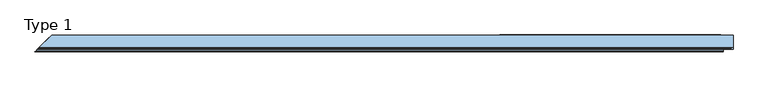
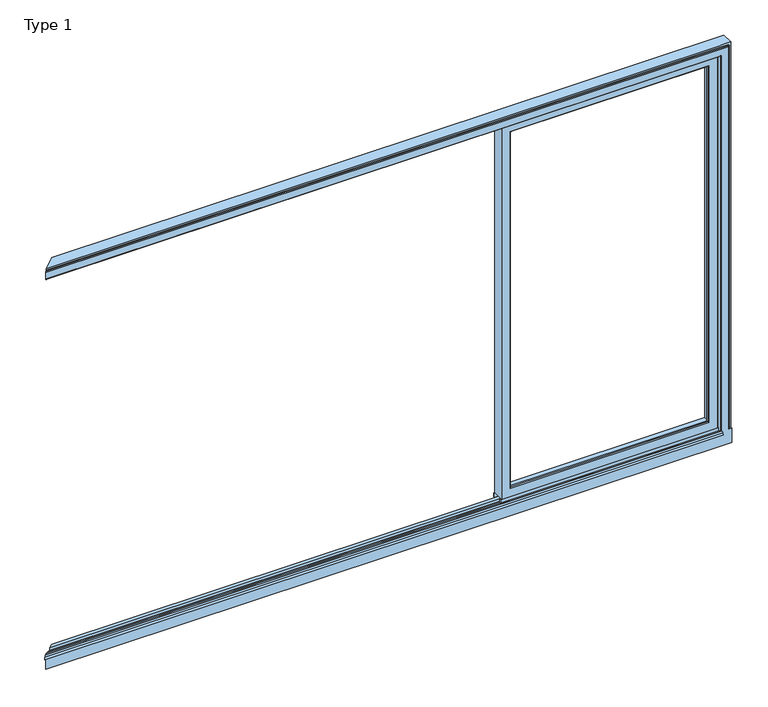
"""IFC4 building model written with IfcOpenShell, lengths in millimetres: window geometry, Type 1."""

from ifc_helpers import new_model, si_unit, point, frame, frame_2d, origin, place, context, project, spatial, polyline, circle_curve, ellipse_curve, trimmed, segment, composite_curve, outline, extrude, source, transform, mapped, element, save
from ifc_brep_helpers import plane_surface, cylinder_surface, advanced_brep


def type_1_d4f6e917(model_context):
    return source(origin(), model_context, "Body", "SolidModel", [
        advanced_brep(
        [(1912.8, 70.0, 2337.0), (1912.8, 0.0, 2337.0), (1912.8, 0.0, 36.0), (1912.8, 70.0, 36.0), (654.4, 0.0, 36.0), (654.4, 70.0, 36.0), (654.4, 0.0, 2337.0), (703.8991901, 0.0, 85.4991901), (703.8991901, 0.0, 2287.5008099), (1863.3008099, 0.0, 2287.5008099), (1863.3008099, 0.0, 85.4991901), (654.4, 70.0, 2337.0), (1880.8, 70.0, 68.0), (1880.8, 70.0, 2305.0), (686.4, 70.0, 2305.0), (686.4, 70.0, 68.0), (1880.8, 13.999939, 2305.0), (1880.8, 13.999939, 68.0), (686.4, 13.999939, 68.0), (686.4, 13.999939, 2305.0), (1858.8004272, 13.999939, 89.9995728), (1858.8004272, 13.999939, 2283.0004272), (708.3995728, 13.999939, 2283.0004272), (708.3995728, 13.999939, 89.9995728), (1858.8004272, 4.5004435, 2283.0004272), (1858.8004272, 4.5004435, 89.9995728), (708.3995728, 4.5004435, 89.9995728), (708.3995728, 4.5004435, 2283.0004272)],
        [
            (0, 1),
            (1, 2),
            (2, 3),
            (3, 0),
            (2, 4),
            (4, 5),
            (5, 3),
            (1, 6),
            (6, 4),
            (7, 8),
            (8, 9),
            (9, 10),
            (10, 7),
            (6, 11),
            (11, 5),
            (11, 0),
            (12, 13),
            (13, 14),
            (14, 15),
            (15, 12),
            (16, 13),
            (12, 17),
            (17, 16),
            (15, 18),
            (18, 17),
            (14, 19),
            (19, 18),
            (19, 16),
            (20, 21),
            (21, 22),
            (22, 23),
            (23, 20),
            (24, 21),
            (20, 25),
            (25, 24),
            (23, 26),
            (26, 25),
            (22, 27),
            (27, 26),
            (10, 25, ellipse_curve(frame((1863.3008099, 4.5004435, 85.4991901), z_axis=(-0.7071067811865475, 0.0, -0.7071067811865475), x_axis=(0.7071067811865476, 0.0, -0.7071067811865474)), 6.3645023, 4.5003827)),
            (26, 7, ellipse_curve(frame((703.8991901, 4.5004435, 85.4991901), z_axis=(0.7071067811865475, 0.0, -0.7071067811865475), x_axis=(0.7071067811865476, 0.0, 0.7071067811865474)), 6.3645023, 4.5003827)),
            (9, 24, ellipse_curve(frame((1863.3008099, 4.5004435, 2287.5008099), z_axis=(0.7071067811865475, 0.0, -0.7071067811865475), x_axis=(0.7071067811865474, 0.0, 0.7071067811865476)), 6.3645023, 4.5003827)),
            (27, 8, ellipse_curve(frame((703.8991901, 4.5004435, 2287.5008099), z_axis=(-0.7071067811865475, 0.0, -0.7071067811865475), x_axis=(0.7071067811865474, 0.0, -0.7071067811865476)), 6.3645023, 4.5003827)),
            (24, 27),
        ],
        [
            plane_surface(frame((1912.8, 0.0, 2337.0), z_axis=(1.0, 0.0, 0.0), x_axis=(0.0, 0.0, -1.0))),
            plane_surface(frame((1912.8, 0.0, 36.0), z_axis=(0.0, 0.0, -1.0), x_axis=(-1.0, 0.0, 0.0))),
            plane_surface(frame((1863.3008099, 0.0, 2287.5008099), z_axis=(0.0, -1.0, 0.0), x_axis=(0.0, 0.0, -1.0))),
            plane_surface(frame((654.4, 0.0, 36.0), z_axis=(-1.0, 0.0, 0.0), x_axis=(0.0, 0.0, 1.0))),
            plane_surface(frame((1912.8, 70.0, 2337.0), z_axis=(0.0, 1.0, 0.0), x_axis=(0.0, 0.0, -1.0))),
            plane_surface(frame((1880.8, 70.0, 2305.0), z_axis=(-1.0, 0.0, 0.0), x_axis=(0.0, 0.0, -1.0))),
            plane_surface(frame((1880.8, 70.0, 68.0), z_axis=(0.0, 0.0, 1.0), x_axis=(-1.0, 0.0, 0.0))),
            plane_surface(frame((686.4, 70.0, 68.0), z_axis=(1.0, 0.0, 0.0), x_axis=(0.0, 0.0, 1.0))),
            plane_surface(frame((1880.8, 13.999939, 2305.0), z_axis=(0.0, 1.0, 0.0), x_axis=(0.0, 0.0, -1.0))),
            plane_surface(frame((1858.8004272, 13.999939, 2283.0004272), z_axis=(-1.0, 0.0, 0.0), x_axis=(0.0, 0.0, -1.0))),
            plane_surface(frame((1858.8004272, 13.999939, 89.9995728), z_axis=(0.0, 0.0, 1.0), x_axis=(-1.0, 0.0, 0.0))),
            plane_surface(frame((708.3995728, 13.999939, 89.9995728), z_axis=(1.0, 0.0, 0.0), x_axis=(0.0, 0.0, 1.0))),
            cylinder_surface(frame((1918.8, 4.5004435, 85.4991901), z_axis=(1.0, 0.0, 0.0), x_axis=(0.0, 1.0, 0.0)), 4.5003827),
            cylinder_surface(frame((1863.3008099, 4.5004435, 2343.0), z_axis=(0.0, 0.0, 1.0), x_axis=(0.0, 1.0, 0.0)), 4.5003827),
            cylinder_surface(frame((703.8991901, 4.5004435, 30.0), z_axis=(0.0, 0.0, -1.0), x_axis=(0.0, 1.0, 0.0)), 4.5003827),
            plane_surface(frame((654.4, 0.0, 2337.0), z_axis=(0.0, 0.0, 1.0), x_axis=(1.0, 0.0, 0.0))),
            plane_surface(frame((686.4, 70.0, 2305.0), z_axis=(0.0, 0.0, -1.0), x_axis=(1.0, 0.0, 0.0))),
            plane_surface(frame((708.3995728, 13.999939, 2283.0004272), z_axis=(0.0, 0.0, -1.0), x_axis=(1.0, 0.0, 0.0))),
            cylinder_surface(frame((648.4, 4.5004435, 2287.5008099), z_axis=(-1.0, 0.0, 0.0), x_axis=(0.0, 1.0, 0.0)), 4.5003827),
        ],
        [
            (0, [[1, 2, 3, 4]]),
            (1, [[-3, 5, 6, 7]]),
            (2, [[-2, 8, 9, -5], [10, 11, 12, 13]]),
            (3, [[-6, -9, 14, 15]]),
            (4, [[-15, 16, -4, -7], [17, 18, 19, 20]]),
            (5, [[21, -17, 22, 23]]),
            (6, [[-22, -20, 24, 25]]),
            (7, [[-24, -19, 26, 27]]),
            (8, [[-27, 28, -23, -25], [29, 30, 31, 32]]),
            (9, [[33, -29, 34, 35]]),
            (10, [[-34, -32, 36, 37]]),
            (11, [[-36, -31, 38, 39]]),
            (12, [[40, -37, 41, -13]]),
            (13, [[42, -35, -40, -12]]),
            (14, [[-41, -39, 43, -10]]),
            (15, [[-14, -8, -1, -16]]),
            (16, [[-26, -18, -21, -28]]),
            (17, [[-38, -30, -33, 44]]),
            (18, [[-43, -44, -42, -11]]),
        ],
    ),
        extrude(outline(polyline([(1918.8, 7.6000076), (1918.8, 0.0), (648.4, 0.0), (648.4, 7.6000076), (1918.8, 7.6000076)])), frame((0.0, 0.0, 10.0), z_axis=(0.0, 0.0, 1.0), x_axis=(1.0, 0.0, 0.0)), (0.0, 0.0, 1.0), 26.0),
        extrude(outline(polyline([(1918.8, 70.0), (1918.8, 62.2757497), (648.4, 62.2757497), (648.4, 70.0), (1918.8, 70.0)])), frame((0.0, 0.0, 10.0), z_axis=(0.0, 0.0, 1.0), x_axis=(1.0, 0.0, 0.0)), (0.0, 0.0, 1.0), 26.0),
        extrude(outline(composite_curve([segment(polyline([(52.044326, 2339.1400778), (68.6363596, 2339.1400778), (70.0, 2342.963961), (70.0, 2348.6420698), (70.8937897, 2348.6420698), (71.8738669, 2344.9939222)]), True, "CONTINUOUS"), segment(trimmed(circle_curve(frame_2d((69.9423544, 2344.4750201)), 2.0), [point((71.8738669, 2344.9939222))], [point((71.8735116, 2343.9547971))], False, "CARTESIAN"), True, "CONTINUOUS"), segment(polyline([(71.8735116, 2343.9547971), (70.0, 2337.0), (52.044326, 2337.0), (52.044326, 2339.1400778)]), True, "CONTINUOUS")], self_intersect=False)), frame((648.4, 0.0, 0.0), z_axis=(1.0, 0.0, 0.0), x_axis=(0.0, 1.0, 0.0)), (0.0, 0.0, 1.0), 1270.4),
        advanced_brep(
        [(1940.0003662, 66.4999084, 2345.0), (1945.0, 66.4999084, 2345.0), (1945.0, 66.4999084, 3.5005918), (1940.0003662, 66.4999084, 3.5005918), (1940.0003662, 70.0, 2345.0), (1940.0003662, 70.0, 3.5005918), (1918.7961345, 70.0, 3.5005918), (1918.7961345, 46.249995, 3.5005918), (1918.7961345, 46.25, 0.0), (1918.7961345, 23.7500839, 0.0), (1918.7961345, 23.7500839, 3.5005918), (1918.7961345, 14.1501251, 3.5005918), (1918.7961345, 14.1501312, 0.0), (1918.7961345, 0.0, 0.0), (1918.7961345, 0.0, 15.0001242), (1918.7961345, 0.0, 2330.0000916), (1918.7961345, 0.0, 2365.9997864), (1918.7961345, 14.1501312, 2365.9997864), (1918.7961345, 14.1501312, 2349.000061), (1918.7961345, 23.7500839, 2349.000061), (1918.7961345, 23.7500839, 2365.9997864), (1918.7961345, 46.25, 2365.9997864), (1918.7961345, 46.25, 2349.000061), (1918.7961345, 55.8499756, 2349.000061), (1918.7961345, 55.8499756, 2365.9997864), (1918.7961345, 66.5, 2365.9997864), (1918.7961345, 66.5, 2345.0), (1918.7961345, 70.0, 2345.0), (1930.0000916, 0.0, 15.0001242), (1930.0000916, 0.0, 2330.0000916), (1990.0, 63.9994062, 0.0), (-1936.0011171, 63.9994062, 0.0), (-1930.0005233, 70.0, 0.0), (1990.0, 70.0, 0.0), (1990.0, 23.7493391, 0.0), (1990.0, 46.2493391, 0.0), (1990.0, -0.0001221, 0.0), (1990.0, 14.1493279, 0.0), (1990.0, 0.0, 2390.0), (1990.0, 0.0, 15.0001242), (1990.0, -9.9999847, 15.0001242), (1990.0, -9.9999847, -74.9993426), (1990.0, 63.9994062, -74.9993426), (1990.0, 70.0, 2390.0), (1990.0, -0.0001221, -12.0998308), (1990.0, 14.1493279, -12.0998308), (1990.0, 23.7493391, -12.0998308), (1990.0, 46.2493391, -12.0998308), (-1930.0005233, 70.0, 2345.0), (-1930.0005233, 70.0, 2390.0), (-1930.0005233, 70.0, 3.5005918), (1945.0, 70.0, 2345.0), (1945.0, 70.0, 3.5005918), (-1936.0011171, 63.9994062, -74.9993426), (-2010.000508, -9.9999847, -74.9993426), (-2010.000508, -9.9999847, 15.0001242), (-2000.0005838, -6.06e-05, 15.0001242), (-2000.0005233, 0.0, -12.0998308), (-1985.8507937, 14.1497296, -12.0998308), (-1985.850392, 14.1501312, 3.5005918), (-1976.2508067, 23.7497165, 3.5005918), (-1976.2504393, 23.7500839, -12.0998308), (-1953.7508537, 46.2496695, -12.0998308), (-1953.7505233, 46.25, 3.5005918), (-2000.0005233, 0.0, 2390.0), (-1933.5005233, 66.5, 2345.0), (-1933.5005233, 66.5, 2365.9997864), (-1944.1505477, 55.8499756, 2365.9997864), (-1944.1505477, 55.8499756, 2349.000061), (-1953.7505233, 46.25, 2349.000061), (-1953.7505233, 46.25, 2365.9997864), (-1976.2504393, 23.7500839, 2365.9997864), (-1976.2504393, 23.7500839, 2349.000061), (-1985.850392, 14.1501312, 2349.000061), (-1985.850392, 14.1501312, 2365.9997864), (-2000.0005233, 0.0, 2365.9997864), (-2000.0005233, 0.0, 2330.0000916), (-2007.500508, -7.4999847, 2330.0000916), (-2010.000508, -9.9999847, 2332.5000916), (-2010.000508, -9.9999847, 2373.499939), (-2005.500508, -5.4999847, 2377.999939), (-2000.0005233, 0.0, 2377.999939), (1973.499939, -9.9999847, 15.0001242), (1973.499939, -9.9999847, 2373.499939), (1932.5000916, -9.9999847, 2332.5000916), (1932.5000916, -9.9999847, 15.0001242), (1977.999939, -5.4999847, 15.0001242), (1977.999939, -5.4999847, 2377.999939), (1977.999939, 0.0, 15.0001242), (1977.999939, 0.0, 2377.999939), (1965.9997864, 0.0, 2390.0), (1918.7961345, 0.0, 2390.0), (1918.7961345, 0.0, 2377.999939), (1965.9997864, 0.0, 2377.999939), (1930.0000916, -7.4999847, 15.0001242), (1930.0000916, -7.4999847, 2330.0000916)],
        [
            (0, 1),
            (1, 2),
            (2, 3),
            (3, 0),
            (4, 0),
            (3, 5),
            (5, 4),
            (6, 7),
            (7, 8),
            (8, 9),
            (9, 10),
            (10, 11),
            (11, 12),
            (12, 13),
            (13, 14),
            (14, 15),
            (15, 16),
            (16, 17),
            (17, 18),
            (18, 19),
            (19, 20),
            (20, 21),
            (21, 22),
            (22, 23),
            (23, 24),
            (24, 25),
            (25, 26),
            (26, 27),
            (27, 6),
            (14, 28),
            (28, 29),
            (29, 15),
            (30, 31),
            (31, 32),
            (32, 33),
            (33, 30),
            (34, 9),
            (8, 35),
            (35, 34),
            (36, 13),
            (12, 37),
            (37, 36),
            (38, 39),
            (39, 40),
            (40, 41),
            (41, 42),
            (42, 30),
            (33, 43),
            (43, 38),
            (44, 36),
            (37, 45),
            (45, 44),
            (46, 34),
            (35, 47),
            (47, 46),
            (48, 49),
            (49, 43),
            (32, 50),
            (50, 6),
            (27, 48),
            (51, 4),
            (5, 52),
            (52, 51),
            (52, 2),
            (1, 51),
            (42, 53),
            (53, 31),
            (53, 54),
            (54, 55),
            (55, 56),
            (56, 57),
            (57, 58),
            (58, 59),
            (59, 60),
            (60, 61),
            (61, 62),
            (62, 63),
            (63, 50),
            (64, 49),
            (48, 65),
            (65, 66),
            (66, 67),
            (67, 68),
            (68, 69),
            (69, 70),
            (70, 71),
            (71, 72),
            (72, 73),
            (73, 74),
            (74, 75),
            (75, 76),
            (76, 77),
            (77, 78, ellipse_curve(frame((-2007.500508, -7.4999847, 2332.5000916), z_axis=(-0.7071067811865475, 0.7071067811865476, 0.0), x_axis=(0.7071067811865476, 0.7071067811865475, 0.0)), 3.5355339, 2.5)),
            (78, 79),
            (79, 80, ellipse_curve(frame((-2005.500508, -5.4999847, 2373.499939), z_axis=(-0.7071067811865475, 0.7071067811865476, 0.0), x_axis=(0.7071067811865476, 0.7071067811865475, 0.0)), 6.363961, 4.5)),
            (80, 81),
            (81, 64),
            (40, 82),
            (82, 83),
            (83, 79),
            (78, 84),
            (84, 85),
            (85, 55),
            (54, 41),
            (82, 86, circle_curve(frame((1973.499939, -5.4999847, 15.0001242), z_axis=(0.0, 0.0, 1.0), x_axis=(-1.0, 0.0, 0.0)), 4.5)),
            (86, 87),
            (87, 83, ellipse_curve(frame((1973.499939, -5.4999847, 2373.499939), z_axis=(0.7071067811865422, 0.0, -0.7071067811865527), x_axis=(-0.7071067811865525, 0.0, -0.7071067811865425)), 6.363961, 4.5)),
            (86, 88),
            (88, 89),
            (89, 87),
            (88, 39),
            (38, 90),
            (90, 91),
            (91, 64),
            (81, 92),
            (92, 93),
            (93, 89),
            (63, 7),
            (62, 47),
            (69, 22),
            (21, 70),
            (61, 46),
            (71, 20),
            (19, 72),
            (60, 10),
            (59, 11),
            (58, 45),
            (73, 18),
            (17, 74),
            (57, 44),
            (75, 16),
            (15, 76),
            (56, 14),
            (85, 94, circle_curve(frame((1932.5000916, -7.4999847, 15.0001242), z_axis=(0.0, 0.0, -1.0), x_axis=(-1.0, 0.0, 0.0)), 2.5)),
            (94, 28),
            (95, 94),
            (84, 95, ellipse_curve(frame((1932.5000916, -7.4999847, 2332.5000916), z_axis=(0.7071067811865422, 0.0, -0.7071067811865527), x_axis=(-0.7071067811865525, 0.0, -0.7071067811865425)), 3.5355339, 2.5)),
            (95, 29),
            (80, 87),
            (26, 65),
            (25, 66),
            (24, 67),
            (23, 68),
            (95, 77),
        ],
        [
            plane_surface(frame((1940.0003662, 66.4999084, 2390.0), z_axis=(0.0, 1.0, 0.0), x_axis=(0.0, 0.0, -1.0))),
            plane_surface(frame((1940.0003662, 70.0, 2390.0), z_axis=(1.0, 0.0, 0.0), x_axis=(0.0, 0.0, -1.0))),
            plane_surface(frame((1918.7961345, 0.0, 2390.0), z_axis=(-1.0, 0.0, 0.0), x_axis=(0.0, 0.0, -1.0))),
            plane_surface(frame((1965.9997864, 0.0, 2390.0), z_axis=(0.0, -1.0, 0.0), x_axis=(0.0, 0.0, -1.0))),
            plane_surface(frame((1990.0, 70.0, 0.0), z_axis=(0.0, 0.0, -1.0), x_axis=(0.0, 1.0, 0.0))),
            plane_surface(frame((1990.0, 0.0, 0.0), z_axis=(1.0, 0.0, 0.0), x_axis=(0.0, 0.0, 1.0))),
            plane_surface(frame((1990.0, 70.0, 0.0), z_axis=(0.0, 1.0, 0.0), x_axis=(0.0, 0.0, 1.0))),
            plane_surface(frame((1945.0, 70.0, 0.0), z_axis=(-1.0, 0.0, 0.0), x_axis=(0.0, 0.0, 1.0))),
            plane_surface(frame((1990.0, 63.9994062, 0.0007157), z_axis=(0.0, 1.0, 0.0), x_axis=(-1.0, 0.0, 0.0))),
            plane_surface(frame((-1904.5411078, 95.4594155, 2390.0), z_axis=(-0.7071067811865475, 0.7071067811865476, 0.0), x_axis=(0.0, 0.0, -1.0))),
            plane_surface(frame((1932.5000916, -9.9999847, 0.0), z_axis=(0.0, -1.0, 0.0), x_axis=(0.0, 0.0, 1.0))),
            cylinder_surface(frame((1973.499939, -5.4999847, 0.0), z_axis=(0.0, 0.0, -1.0), x_axis=(-1.0, 0.0, 0.0)), 4.5),
            plane_surface(frame((1977.999939, -5.4999847, 0.0), z_axis=(1.0, 0.0, 0.0), x_axis=(0.0, 0.0, 1.0))),
            plane_surface(frame((1977.999939, 0.0, 0.0), z_axis=(0.0, -1.0, 0.0), x_axis=(0.0, 0.0, 1.0))),
            plane_surface(frame((1990.0, 46.2493391, 3.5005918), z_axis=(0.0, 0.0, 1.0), x_axis=(-1.0, 0.0, 0.0))),
            plane_surface(frame((1949.000061, 46.25, 0.0), z_axis=(0.0, -1.0, 0.0), x_axis=(0.0, 0.0, 1.0))),
            plane_surface(frame((1990.0, 23.7493391, -12.0998308), z_axis=(0.0, 0.0, 1.0), x_axis=(-1.0, 0.0, 0.0))),
            plane_surface(frame((1965.9997864, 23.7500839, 0.0), z_axis=(0.0, 1.0, 0.0), x_axis=(0.0, 0.0, 1.0))),
            plane_surface(frame((1990.0, 14.1493279, 3.5005918), z_axis=(0.0, 0.0, 1.0), x_axis=(-1.0, 0.0, 0.0))),
            plane_surface(frame((1949.000061, 14.1501312, 0.0), z_axis=(0.0, -1.0, 0.0), x_axis=(0.0, 0.0, 1.0))),
            plane_surface(frame((1990.0, -0.0001221, -12.0998308), z_axis=(0.0, 0.0, 1.0), x_axis=(-1.0, 0.0, 0.0))),
            plane_surface(frame((1965.9997864, 0.0, 0.0), z_axis=(0.0, 1.0, 0.0), x_axis=(0.0, 0.0, 1.0))),
            plane_surface(frame((1990.0, -9.9999847, 15.0001242), z_axis=(0.0, 0.0, 1.0), x_axis=(-1.0, 0.0, 0.0))),
            cylinder_surface(frame((1932.5000916, -7.4999847, 0.0), z_axis=(0.0, 0.0, -1.0), x_axis=(-1.0, 0.0, 0.0)), 2.5),
            plane_surface(frame((1930.0000916, 0.0, 0.0), z_axis=(-1.0, 0.0, 0.0), x_axis=(0.0, 0.0, 1.0))),
            plane_surface(frame((1977.999939, -5.4999847, 2377.999939), z_axis=(0.0, 0.0, 1.0), x_axis=(-1.0, 0.0, 0.0))),
            plane_surface(frame((1990.0, 0.0, 2390.0), z_axis=(0.0, 0.0, 1.0), x_axis=(-1.0, 0.0, 0.0))),
            plane_surface(frame((1945.0, 70.0, 2345.0), z_axis=(0.0, 0.0, -1.0), x_axis=(-1.0, 0.0, 0.0))),
            plane_surface(frame((1945.0, 66.5, 0.0), z_axis=(0.0, -1.0, 0.0), x_axis=(0.0, 0.0, 1.0))),
            plane_surface(frame((1965.9997864, 66.5, 2365.9997864), z_axis=(0.0, 0.0, -1.0), x_axis=(-1.0, 0.0, 0.0))),
            plane_surface(frame((1965.9997864, 55.8499756, 0.0), z_axis=(0.0, 1.0, 0.0), x_axis=(0.0, 0.0, 1.0))),
            plane_surface(frame((1949.000061, 55.8499756, 2349.000061), z_axis=(0.0, 0.0, -1.0), x_axis=(-1.0, 0.0, 0.0))),
            plane_surface(frame((1965.9997864, 46.25, 2365.9997864), z_axis=(0.0, 0.0, -1.0), x_axis=(-1.0, 0.0, 0.0))),
            plane_surface(frame((1949.000061, 23.7500839, 2349.000061), z_axis=(0.0, 0.0, -1.0), x_axis=(-1.0, 0.0, 0.0))),
            plane_surface(frame((1965.9997864, 14.1501312, 2365.9997864), z_axis=(0.0, 0.0, -1.0), x_axis=(-1.0, 0.0, 0.0))),
            plane_surface(frame((1930.0000916, 0.0, 2330.0000916), z_axis=(0.0, 0.0, -1.0), x_axis=(-1.0, 0.0, 0.0))),
            cylinder_surface(frame((1990.0, -7.4999847, 2332.5000916), z_axis=(1.0, 0.0, 0.0), x_axis=(0.0, 0.0, -1.0)), 2.5),
            cylinder_surface(frame((1990.0, -5.4999847, 2373.499939), z_axis=(1.0, 0.0, 0.0), x_axis=(0.0, 0.0, -1.0)), 4.5),
            plane_surface(frame((1990.0, 63.9994062, -74.9993426), z_axis=(0.0, 0.0, -1.0), x_axis=(-1.0, 0.0, 0.0))),
        ],
        [
            (0, [[1, 2, 3, 4]]),
            (1, [[5, -4, 6, 7]]),
            (2, [[8, 9, 10, 11, 12, 13, 14, 15, 16, 17, 18, 19, 20, 21, 22, 23, 24, 25, 26, 27, 28, 29]]),
            (3, [[30, 31, 32, -16]]),
            (4, [[33, 34, 35, 36]]),
            (4, [[37, -10, 38, 39]]),
            (4, [[40, -14, 41, 42]]),
            (5, [[43, 44, 45, 46, 47, -36, 48, 49], [50, -42, 51, 52], [53, -39, 54, 55]]),
            (6, [[56, 57, -48, -35, 58, 59, -29, 60], [61, -7, 62, 63]]),
            (7, [[-63, 64, -2, 65]]),
            (8, [[66, 67, -33, -47]]),
            (9, [[-67, 68, 69, 70, 71, 72, 73, 74, 75, 76, 77, 78, -58, -34]]),
            (9, [[79, -56, 80, 81, 82, 83, 84, 85, 86, 87, 88, 89, 90, 91, 92, 93, 94, 95, 96, 97]]),
            (10, [[98, 99, 100, -94, 101, 102, 103, -69, 104, -45]]),
            (11, [[-99, 105, 106, 107]]),
            (12, [[-106, 108, 109, 110]]),
            (13, [[111, -43, 112, 113, 114, -97, 115, 116, 117, -109]]),
            (14, [[-62, -6, -3, -64]]),
            (14, [[118, -8, -59, -78]]),
            (15, [[-9, -118, -77, 119, -54, -38]]),
            (15, [[120, -23, 121, -85]]),
            (16, [[-119, -76, 122, -55]]),
            (17, [[123, -21, 124, -87]]),
            (17, [[-122, -75, 125, -11, -37, -53]]),
            (18, [[126, -12, -125, -74]]),
            (19, [[-13, -126, -73, 127, -51, -41]]),
            (19, [[128, -19, 129, -89]]),
            (20, [[-127, -72, 130, -52]]),
            (21, [[131, -17, 132, -91]]),
            (21, [[-130, -71, 133, -15, -40, -50]]),
            (22, [[-30, -133, -70, -103, 134, 135]]),
            (22, [[-111, -108, -105, -98, -44]]),
            (23, [[136, -134, -102, 137]]),
            (24, [[-31, -135, -136, 138]]),
            (25, [[-117, -116, -115, -96, 139, -110]]),
            (26, [[-79, -114, -113, -112, -49, -57]]),
            (27, [[-60, -28, 140, -80]]),
            (27, [[-1, -5, -61, -65]]),
            (28, [[-140, -27, 141, -81]]),
            (29, [[-141, -26, 142, -82]]),
            (30, [[-142, -25, 143, -83]]),
            (31, [[-143, -24, -120, -84]]),
            (32, [[-121, -22, -123, -86]]),
            (33, [[-124, -20, -128, -88]]),
            (34, [[-129, -18, -131, -90]]),
            (35, [[144, -92, -132, -32, -138]]),
            (36, [[-101, -93, -144, -137]]),
            (37, [[-139, -95, -100, -107]]),
            (38, [[-104, -68, -66, -46]]),
        ],
    ),
        advanced_brep(
        [(-2025.8672233, -25.8667001, 0.0), (-2020.5268098, -20.5262865, 9.2500295), (-2010.000508, -9.9999847, 15.0001242), (-2010.000508, -9.9999847, 0.0), (1932.5000916, -9.9999847, 0.0), (1932.5000916, -9.9999847, 15.0001242), (1932.5000916, -20.5262865, 9.2500295), (1932.5000916, -25.8667001, 0.0)],
        [
            (0, 1),
            (1, 2, ellipse_curve(frame((-2010.5451407, -10.5446174, 3.4872111), z_axis=(-0.7071067811865475, 0.7071067811865476, 0.0), x_axis=(0.7071067811865476, 0.7071067811865476, 0.0)), 16.299926, 11.5257882)),
            (2, 3),
            (3, 0),
            (4, 5),
            (5, 6, circle_curve(frame((1932.5000916, -10.5446174, 3.4872111), z_axis=(1.0, 0.0, 0.0), x_axis=(0.0, 1.0, 0.0)), 11.5257882)),
            (6, 7),
            (7, 4),
            (7, 0),
            (3, 4),
            (6, 1),
            (5, 2),
        ],
        [
            plane_surface(frame((-1904.5411078, 95.4594155, 2390.0), z_axis=(-0.7071067811865475, 0.7071067811865476, 0.0), x_axis=(0.0, 0.0, -1.0))),
            plane_surface(frame((1932.5000916, -9.9999847, 15.0001242), z_axis=(1.0, 0.0, 0.0), x_axis=(0.0, 0.0, 1.0))),
            plane_surface(frame((1932.5000916, -9.9999847, 0.0), z_axis=(0.0, 0.0, -1.0), x_axis=(-1.0, 0.0, 0.0))),
            plane_surface(frame((1932.5000916, -25.8667001, 0.0), z_axis=(0.0, -0.8660291938285396, 0.49999343539359586), x_axis=(-1.0, 0.0, 0.0))),
            cylinder_surface(frame((1932.5000916, -10.5446174, 3.4872111), z_axis=(1.0, 0.0, 0.0), x_axis=(0.0, 1.0, 0.0)), 11.5257882),
            plane_surface(frame((1932.5000916, -9.9999847, 15.0001242), z_axis=(0.0, 1.0, 0.0), x_axis=(-1.0, 0.0, 0.0))),
        ],
        [
            (0, [[1, 2, 3, 4]]),
            (1, [[5, 6, 7, 8]]),
            (2, [[9, -4, 10, -8]]),
            (3, [[11, -1, -9, -7]]),
            (4, [[12, -2, -11, -6]]),
            (5, [[-10, -3, -12, -5]]),
        ],
    ),
    ])


if __name__ == "__main__":
    model = new_model("IFC4")
    model_context = context("Model", 3, world=origin())
    ifc_project = project(units=[si_unit("LENGTHUNIT", "METRE", prefix="MILLI")], contexts=[model_context])
    site = spatial("IfcSite", under=ifc_project)
    building = spatial("IfcBuilding", under=site)
    placement = place(None, origin())
    type_1_shape = type_1_d4f6e917(model_context)
    element("IfcWindow", 1, ObjectType="Type 1", at=placement, inside=building, context=model_context, shape_type="MappedRepresentation", body=[
        mapped(type_1_shape, transform((0.0, 0.0, 0.0), x_axis=(1.0, 0.0, 0.0), y_axis=(0.0, 1.0, 0.0), z_axis=(0.0, 0.0, 1.0))),
    ])
    save(model, "model.ifc")
